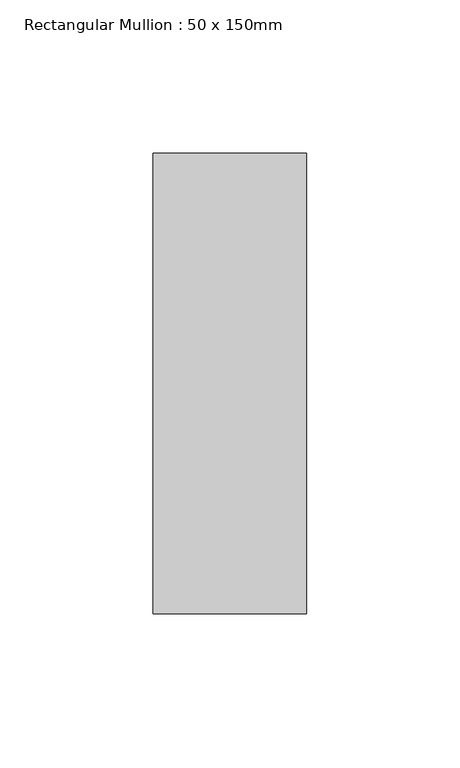
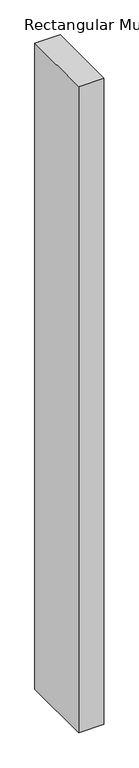
"""IFC4 building model written with IfcOpenShell, lengths in millimetres: member geometry, Rectangular Mullion : 50 x 150mm."""

from ifc_helpers import new_model, si_unit, frame, origin, place, context, project, spatial, polyline, outline, extrude, source, transform, mapped, element, save


def rectangular_mullion_50_x_150mm_fc8db16b(model_context):
    return source(origin(), model_context, "Body", "SweptSolid", [
        extrude(outline(polyline([(0.0, 75.0), (0.0, -75.0), (-50.0, -75.0), (-50.0, 75.0), (0.0, 75.0)])), frame((0.0, 0.0, -1355.0), z_axis=(0.0, 0.0, 1.0), x_axis=(1.0, 0.0, 0.0)), (0.0, 0.0, 1.0), 1355.0),
    ])


if __name__ == "__main__":
    model = new_model("IFC4")
    model_context = context("Model", 3, world=origin())
    ifc_project = project(units=[si_unit("LENGTHUNIT", "METRE", prefix="MILLI")], contexts=[model_context])
    site = spatial("IfcSite", under=ifc_project)
    building = spatial("IfcBuilding", under=site)
    placement = place(None, origin())
    rectangular_mullion_50_x_150mm_shape = rectangular_mullion_50_x_150mm_fc8db16b(model_context)
    element("IfcMember", 1, ObjectType="Rectangular Mullion : 50 x 150mm", at=placement, inside=building, context=model_context, shape_type="MappedRepresentation", body=[
        mapped(rectangular_mullion_50_x_150mm_shape, transform((0.0, 0.0, 0.0), x_axis=(1.0, 0.0, 0.0), y_axis=(0.0, 1.0, 0.0), z_axis=(0.0, 0.0, 1.0))),
    ])
    save(model, "model.ifc")
